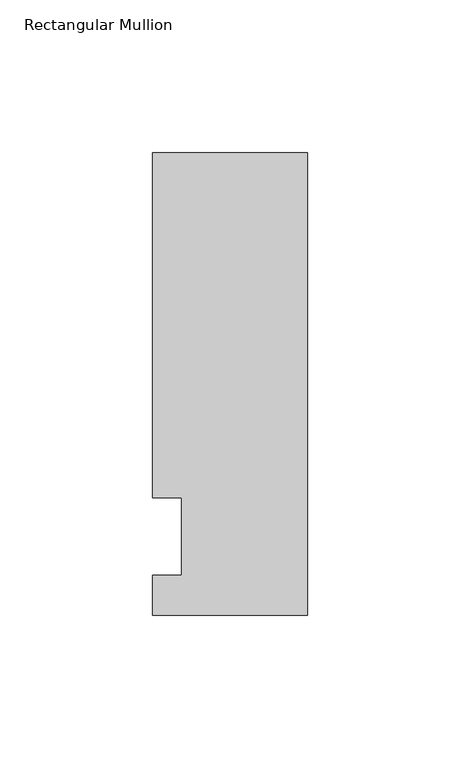
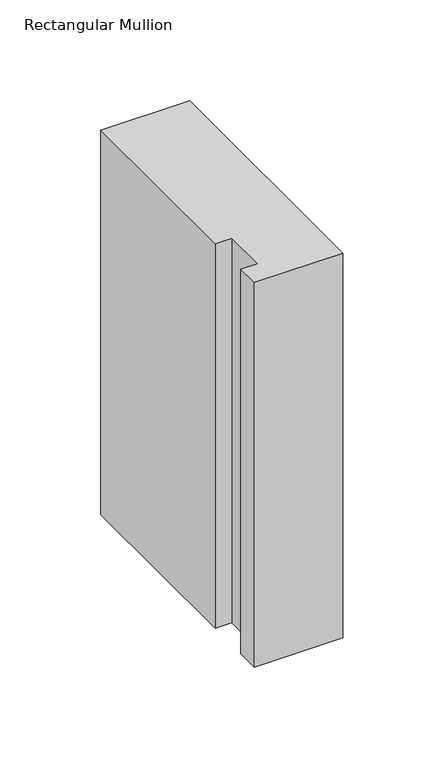
"""IFC4 building model written with IfcOpenShell, lengths in millimetres: member geometry, Rectangular Mullion."""

import ifcopenshell
import ifcopenshell.guid

model = None  # the IFC model being written
_history = None  # IfcOwnerHistory: only IFC2X3 demands one
_inside = {}  # id of a spatial element -> (the spatial element, [elements in it])
_under = {}  # id of a project, library or spatial element -> (it, [spatial elements below it])
_declared = {}  # id of a project -> (the project, [libraries it declares])
_typed = {}  # id of a type object -> (the type object, [elements of that type])
_made_of = {}  # id of a material, layer set ... -> (it, [elements and type objects made of it])


def new_model(schema):
    """Start an empty IFC model of exactly this schema.

    Asked for "IFC4X3", IfcOpenShell would pick the latest addendum, in which some entities
    have other attributes; the version numbers below select the first issue.
    IFC2X3 requires an IfcOwnerHistory on every rooted entity: one is made here for all.
    """
    global model, _history
    if schema == "IFC4X3":
        model = ifcopenshell.file(schema_version=(4, 3, 0, 0))
    else:
        model = ifcopenshell.file(schema=schema)
    _inside.clear()
    _under.clear()
    _declared.clear()
    _typed.clear()
    _made_of.clear()
    _history = None
    if model.schema == "IFC2X3":
        org = make("IfcOrganization", Name="unknown")
        user = make(
            "IfcPersonAndOrganization",
            ThePerson=make("IfcPerson", FamilyName="unknown"),
            TheOrganization=org,
        )
        app = make(
            "IfcApplication",
            ApplicationDeveloper=org,
            Version="unknown",
            ApplicationFullName="unknown",
            ApplicationIdentifier="unknown",
        )
        _history = make(
            "IfcOwnerHistory",
            OwningUser=user,
            OwningApplication=app,
            ChangeAction="ADDED",
            CreationDate=0,
        )
    return model


def make(cls, **values):
    """One entity of the class cls with the attributes given. An attribute that is None is left unset."""
    return model.create_entity(
        cls, **{name: value for name, value in values.items() if value is not None}
    )


def rooted(cls, **values):
    """An entity with a GlobalId (a new one), such as an element, a storey or a relation."""
    return make(cls, GlobalId=ifcopenshell.guid.new(), OwnerHistory=_history, **values)


def si_unit(unit_type, name, prefix=None):
    """IfcSIUnit, for example si_unit("LENGTHUNIT", "METRE", prefix="MILLI")."""
    return make("IfcSIUnit", UnitType=unit_type, Prefix=prefix, Name=name)


def assignment(units):
    """IfcUnitAssignment: the units of a project."""
    return None if units is None else make("IfcUnitAssignment", Units=units)


def point(xyz):
    """IfcCartesianPoint."""
    return None if xyz is None else make("IfcCartesianPoint", Coordinates=xyz)


def direction(xyz):
    """IfcDirection."""
    return None if xyz is None else make("IfcDirection", DirectionRatios=xyz)


def frame(location, z_axis=None, x_axis=None):
    """IfcAxis2Placement3D, a coordinate frame: its origin and axes. An axis left out is left unset."""
    return make(
        "IfcAxis2Placement3D",
        Location=point(location),
        Axis=direction(z_axis),
        RefDirection=direction(x_axis),
    )


def origin():
    """The frame at (0, 0, 0) with its axes left unset."""
    return frame((0.0, 0.0, 0.0))


def place(relative_to, where):
    """IfcLocalPlacement: puts the frame where relative to a parent placement (None: the world)."""
    return make(
        "IfcLocalPlacement", PlacementRelTo=relative_to, RelativePlacement=where
    )


def context(
    kind, dimensions, precision=None, world=None, true_north=None, identifier=None
):
    """IfcGeometricRepresentationContext, for example the 3D "Model" context."""
    return make(
        "IfcGeometricRepresentationContext",
        ContextIdentifier=identifier,
        ContextType=kind,
        CoordinateSpaceDimension=dimensions,
        Precision=precision,
        WorldCoordinateSystem=world,
        TrueNorth=true_north,
    )


def project(units=None, contexts=None):
    """IfcProject with its units and contexts."""
    return rooted(
        "IfcProject",
        Name="project",
        RepresentationContexts=contexts,
        UnitsInContext=assignment(units),
    )


def spatial(cls, under=None, at=None, **own):
    """A site, building, storey or space (cls), placed at a placement, below another one or the project."""
    s = rooted(cls, ObjectPlacement=at, **own)
    if under is not None:
        _under.setdefault(under.id(), (under, []))[1].append(s)
    return s


def polyline(points):
    """IfcPolyline through the points."""
    return make("IfcPolyline", Points=[point(p) for p in points])


def outline(outer, holes=None, kind="AREA"):
    """IfcArbitraryClosedProfileDef: a profile drawn as a closed curve; with holes, ...WithVoids."""
    if holes is None:
        return make("IfcArbitraryClosedProfileDef", ProfileType=kind, OuterCurve=outer)
    return make(
        "IfcArbitraryProfileDefWithVoids",
        ProfileType=kind,
        OuterCurve=outer,
        InnerCurves=holes,
    )


def extrude(swept, where, along, depth):
    """IfcExtrudedAreaSolid: the profile swept, set in the frame where, extruded along a direction by depth."""
    return make(
        "IfcExtrudedAreaSolid",
        SweptArea=swept,
        Position=where,
        ExtrudedDirection=direction(along),
        Depth=depth,
    )


def shape(context_of_items, identifier, shape_type, items):
    """IfcShapeRepresentation: the items that make up one representation, for example the "Body"."""
    return make(
        "IfcShapeRepresentation",
        ContextOfItems=context_of_items,
        RepresentationIdentifier=identifier,
        RepresentationType=shape_type,
        Items=items,
    )


def source(mapping_origin, context_of_items, identifier, shape_type, items):
    """IfcRepresentationMap: a shape defined once, which mapped items show again and again."""
    return make(
        "IfcRepresentationMap",
        MappingOrigin=mapping_origin,
        MappedRepresentation=shape(context_of_items, identifier, shape_type, items),
    )


def transform(
    local_origin,
    x_axis=None,
    y_axis=None,
    z_axis=None,
    scale=None,
    scale2=None,
    scale3=None,
    uniform=True,
):
    """IfcCartesianTransformationOperator3D, or its non-uniform kind. x_axis, y_axis, z_axis: its Axis1, 2, 3."""
    if uniform:
        return make(
            "IfcCartesianTransformationOperator3D",
            Axis1=direction(x_axis),
            Axis2=direction(y_axis),
            LocalOrigin=point(local_origin),
            Scale=scale,
            Axis3=direction(z_axis),
        )
    return make(
        "IfcCartesianTransformationOperator3DnonUniform",
        Axis1=direction(x_axis),
        Axis2=direction(y_axis),
        LocalOrigin=point(local_origin),
        Scale=scale,
        Axis3=direction(z_axis),
        Scale2=scale2,
        Scale3=scale3,
    )


def mapped(mapping_source, mapping_target):
    """IfcMappedItem: shows the shape of a source again, moved by a transform."""
    return make(
        "IfcMappedItem", MappingSource=mapping_source, MappingTarget=mapping_target
    )


def made_of(thing, what):
    """Note that an element or type object is made of a material, layer set ...; save() writes the relation."""
    if what is not None:
        _made_of.setdefault(what.id(), (what, []))[1].append(thing)
    return thing


def element(
    cls,
    number,
    at=None,
    inside=None,
    cuts=None,
    type_object=None,
    material=None,
    context=None,
    identifier="Body",
    shape_type=None,
    held_by="IfcProductDefinitionShape",
    body=None,
    shapes=None,
    **own,
):
    """One element of the class cls, such as IfcWall. Its Tag is "e" and its number.

    at: its placement. inside: the storey or other place that contains it. cuts: it is an
    opening in that element (IfcRelVoidsElement). A single representation is given by context,
    identifier, shape_type and body (its items); several are given by shapes. held_by: the class
    of the entity that holds the representations. save() writes the other relations.
    """
    e = rooted(cls, Tag="e%d" % number, ObjectPlacement=at, **own)
    if body is not None:
        shapes = [shape(context, identifier, shape_type, body)]
    if shapes is not None:
        e.Representation = make(held_by, Representations=shapes)
    if inside is not None:
        _inside.setdefault(inside.id(), (inside, []))[1].append(e)
    if cuts is not None:
        rooted(
            "IfcRelVoidsElement", RelatingBuildingElement=cuts, RelatedOpeningElement=e
        )
    if type_object is not None:
        _typed.setdefault(type_object.id(), (type_object, []))[1].append(e)
    return made_of(e, material)


def aggregate(whole, parts):
    """IfcRelAggregates: a whole, such as a stair, and the parts it consists of."""
    return rooted("IfcRelAggregates", RelatingObject=whole, RelatedObjects=parts)


def save(model, path):
    """Write the relations noted so far, then the file.

    IfcRelAggregates (storeys below a building ...), IfcRelContainedInSpatialStructure (elements
    in a storey), IfcRelDefinesByType, IfcRelAssociatesMaterial and IfcRelDeclares: one each for
    every whole, place, type object, material and project.
    """
    for whole, parts in _under.values():
        aggregate(whole, parts)
    for where, things in _inside.values():
        rooted(
            "IfcRelContainedInSpatialStructure",
            RelatedElements=things,
            RelatingStructure=where,
        )
    for kind, things in _typed.values():
        rooted("IfcRelDefinesByType", RelatedObjects=things, RelatingType=kind)
    for what, things in _made_of.values():
        rooted("IfcRelAssociatesMaterial", RelatedObjects=things, RelatingMaterial=what)
    for by, libraries in _declared.values():
        rooted("IfcRelDeclares", RelatingContext=by, RelatedDefinitions=libraries)
    model.write(path)


def rectangular_mullion_485078e4(model_context):
    return source(origin(), model_context, "Body", "SweptSolid", [
        extrude(outline(polyline([(-50.8, -25.7961253), (-50.8, -12.7), (-41.275, -12.7), (-41.275, 12.7), (-50.8, 12.7), (-50.8, 125.8036906), (0.0, 125.8036906), (0.0, -25.7961253), (-50.8, -25.7961253)])), frame((0.0, 0.0, -232.416413), z_axis=(0.0, 0.0, 1.0), x_axis=(1.0, 0.0, 0.0)), (0.0, 0.0, 1.0), 232.416413),
    ])


if __name__ == "__main__":
    model = new_model("IFC4")
    model_context = context("Model", 3, world=origin())
    ifc_project = project(units=[si_unit("LENGTHUNIT", "METRE", prefix="MILLI")], contexts=[model_context])
    site = spatial("IfcSite", under=ifc_project)
    building = spatial("IfcBuilding", under=site)
    placement = place(None, origin())
    rectangular_mullion_shape = rectangular_mullion_485078e4(model_context)
    element("IfcMember", 1, ObjectType="Rectangular Mullion", at=placement, inside=building, context=model_context, shape_type="MappedRepresentation", body=[
        mapped(rectangular_mullion_shape, transform((0.0, 0.0, 0.0), x_axis=(1.0, 0.0, 0.0), y_axis=(0.0, 1.0, 0.0), z_axis=(0.0, 0.0, 1.0))),
    ])
    save(model, "model.ifc")
